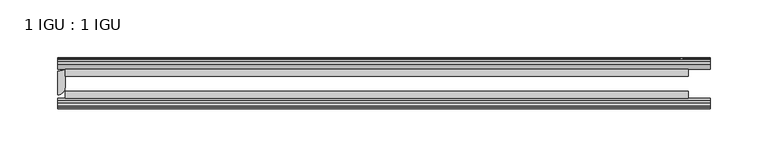
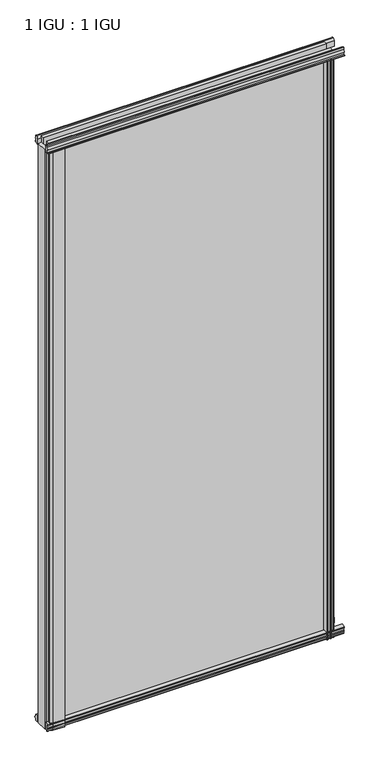
"""IFC4 building model written with IfcOpenShell, lengths in millimetres: plate geometry, 1 IGU : 1 IGU."""

from ifc_helpers import new_model, si_unit, point, frame, frame_2d, origin, place, context, project, spatial, polyline, circle_curve, trimmed, segment, composite_curve, outline, extrude, source, transform, mapped, element, save


def plate_1_igu_1_igu_c8708dcd(model_context):
    return source(origin(), model_context, "Body", "SweptSolid", [
        extrude(outline(composite_curve([segment(polyline([(-48.2151697, 1167.5411625), (-46.2339867, 1167.5411625), (-46.2339867, 1152.9057064), (-54.465925, 1154.0393419)]), True, "CONTINUOUS"), segment(trimmed(circle_curve(frame_2d((-54.3619697, 1154.7942176)), 0.762), [point((-54.465925, 1154.0393419))], [point((-55.1239697, 1154.7942176))], False, "CARTESIAN"), True, "CONTINUOUS"), segment(polyline([(-55.1239697, 1154.7942176), (-55.1239697, 1155.6539625), (-52.5839697, 1155.6539625), (-52.5839697, 1160.6069625), (-53.9897781, 1160.9836477), (-52.5839697, 1166.2301961), (-52.5839697, 1169.8779625), (-50.5519697, 1169.8779625)]), True, "CONTINUOUS"), segment(trimmed(circle_curve(frame_2d((-48.2151697, 1169.8779625)), 2.3368), [point((-50.5519697, 1169.8779625))], [point((-48.2151697, 1167.5411625))], True, "CARTESIAN"), True, "CONTINUOUS")], self_intersect=False)), frame((-282.5754022, 0.0, 0.0), z_axis=(1.0, 0.0, 0.0), x_axis=(0.0, 1.0, 0.0)), (0.0, 0.0, 1.0), 565.1508044),
        extrude(outline(composite_curve([segment(polyline([(-20.8339867, 1163.6867737), (-16.6539631, 1167.8667973)]), True, "CONTINUOUS"), segment(trimmed(circle_curve(frame_2d((-15.7559375, 1166.9687717)), 1.27), [point((-16.6539631, 1167.8667973))], [point((-14.4859375, 1166.9687717))], False, "CARTESIAN"), True, "CONTINUOUS"), segment(polyline([(-14.4859375, 1166.9687717), (-14.4859375, 1163.7937717), (-13.0066415, 1161.2098114), (-14.4859375, 1160.9489717), (-14.4859375, 1155.5387717), (-13.1830575, 1155.7226181)]), True, "CONTINUOUS"), segment(trimmed(circle_curve(frame_2d((-13.9271036, 1155.0307717)), 1.016), [point((-13.1830575, 1155.7226181))], [point((-13.7521472, 1154.0299489))], False, "CARTESIAN"), True, "CONTINUOUS"), segment(polyline([(-13.7521472, 1154.0299489), (-20.8339867, 1152.6630095), (-20.8339867, 1163.6867737)]), True, "CONTINUOUS")], self_intersect=False)), frame((-282.5754022, 0.0, 0.0), z_axis=(1.0, 0.0, 0.0), x_axis=(0.0, 1.0, 0.0)), (0.0, 0.0, 1.0), 565.1508044),
        extrude(outline(polyline([(-20.8359545, 1.2049602), (-14.4859375, -0.5127625), (-14.4859375, -5.7197625), (-12.1057405, -6.1007625), (-12.5656738, -4.6852334), (-11.7644596, -4.6852334), (-11.0569375, -6.8627625), (-11.7644596, -9.0402916), (-12.5656738, -9.0402916), (-12.1057405, -7.6247625), (-14.4859375, -8.0057625), (-14.4859375, -12.4507625), (-17.4323375, -12.4507625), (-20.8359545, -9.6164062), (-20.8359545, 1.2049602)])), frame((-282.5754022, 0.0, 0.0), z_axis=(1.0, 0.0, 0.0), x_axis=(0.0, 1.0, 0.0)), (0.0, 0.0, 1.0), 565.1508044),
        extrude(outline(composite_curve([segment(polyline([(-53.3197108, 1.6405709), (-46.2359545, 3.0078803), (-46.2359545, -8.014337), (-50.4178949, -12.1962775)]), True, "CONTINUOUS"), segment(trimmed(circle_curve(frame_2d((-51.3159205, -11.2982519)), 1.27), [point((-50.4178949, -12.1962775))], [point((-52.5859205, -11.2982519))], False, "CARTESIAN"), True, "CONTINUOUS"), segment(polyline([(-52.5859205, -11.2982519), (-52.5859205, -8.1232519), (-54.0652165, -5.5392917), (-52.5859205, -5.2784519), (-52.5859205, 0.1317481), (-53.8888005, -0.0520983)]), True, "CONTINUOUS"), segment(trimmed(circle_curve(frame_2d((-53.1447545, 0.6397481)), 1.016), [point((-53.8888005, -0.0520983))], [point((-53.3197108, 1.6405709))], False, "CARTESIAN"), True, "CONTINUOUS")], self_intersect=False)), frame((-282.5754022, 0.0, 0.0), z_axis=(1.0, 0.0, 0.0), x_axis=(0.0, 1.0, 0.0)), (0.0, 0.0, 1.0), 565.1508044),
        extrude(outline(composite_curve([segment(trimmed(circle_curve(frame_2d((-282.5754022, -10.4903061)), 12.1389698), [point((-282.5754022, -22.629276))], [point((-276.2254022, -20.8359375))], True, "CARTESIAN"), True, "CONTINUOUS"), segment(polyline([(-276.2254022, -20.8359375), (-276.2254022, -36.7109375)]), True, "CONTINUOUS"), segment(trimmed(circle_curve(frame_2d((-282.5754022, -36.7109375)), 6.35), [point((-276.2254022, -36.7109375))], [point((-282.5754022, -43.0609375))], False, "CARTESIAN"), True, "CONTINUOUS"), segment(polyline([(-282.5754022, -43.0609375), (-282.5754022, -22.629276)]), True, "CONTINUOUS")], self_intersect=False)), frame((0.0, 0.0, -12.7), z_axis=(0.0, 0.0, 1.0), x_axis=(1.0, 0.0, 0.0)), (0.0, 0.0, 1.0), 1168.3746),
        extrude(outline(composite_curve([segment(polyline([(-273.4648163, -46.2359375), (-247.0208609, -46.2359375)]), True, "CONTINUOUS"), segment(trimmed(circle_curve(frame_2d((-235.8824314, -56.4589223)), 15.118665), [point((-247.0208609, -46.2359375))], [point((-250.8254022, -54.1607375))], True, "CARTESIAN"), True, "CONTINUOUS"), segment(polyline([(-250.8254022, -54.1607375), (-272.7114351, -52.904699), (-277.9672135, -50.6809375), (-277.9672135, -48.1409375), (-273.4648163, -46.2359375)]), True, "CONTINUOUS")], self_intersect=False)), frame((0.0, 0.0, -12.7), z_axis=(0.0, 0.0, 1.0), x_axis=(1.0, 0.0, 0.0)), (0.0, 0.0, 1.0), 1168.3746),
        extrude(outline(composite_curve([segment(polyline([(249.2095491, -53.3197108), (247.8422364, -46.2359375), (258.86444, -46.2359375), (263.0463975, -50.4178949)]), True, "CONTINUOUS"), segment(trimmed(circle_curve(frame_2d((262.1483719, -51.3159205)), 1.27), [point((263.0463975, -50.4178949))], [point((262.1483719, -52.5859205))], False, "CARTESIAN"), True, "CONTINUOUS"), segment(polyline([(262.1483719, -52.5859205), (258.9733719, -52.5859205), (256.3894117, -54.0652165), (256.1285719, -52.5859205), (250.7183719, -52.5859205), (250.9413353, -53.8504091)]), True, "CONTINUOUS"), segment(trimmed(circle_curve(frame_2d((250.2103719, -53.1447545)), 1.016), [point((250.9413353, -53.8504091))], [point((249.2095491, -53.3197108))], False, "CARTESIAN"), True, "CONTINUOUS")], self_intersect=False)), frame((0.0, 0.0, -12.6752823), z_axis=(0.0, 0.0, 1.0), x_axis=(1.0, 0.0, 0.0)), (0.0, 0.0, 1.0), 1168.3498823),
        extrude(outline(polyline([(255.5353534, -11.7644596), (257.7128825, -11.0569375), (259.8904115, -11.7644596), (259.8904115, -12.5656738), (258.4748825, -12.1057405), (258.8558825, -14.4859375), (263.3008825, -14.4859375), (263.3008825, -17.4323375), (260.4665403, -20.8359375), (249.6451644, -20.8359375), (251.3628825, -14.4859375), (256.5698825, -14.4859375), (256.9508825, -12.1057405), (255.5353534, -12.5656738), (255.5353534, -11.7644596)])), frame((0.0, 0.0, -12.6752823), z_axis=(0.0, 0.0, 1.0), x_axis=(1.0, 0.0, 0.0)), (0.0, 0.0, 1.0), 1168.3498823),
        extrude(outline(polyline([(263.5254022, -20.8359375), (263.5254022, -27.1859375), (-276.2254022, -27.1859375), (-276.2254022, -20.8359375), (263.5254022, -20.8359375)])), frame((0.0, 0.0, -12.6752823), z_axis=(0.0, 0.0, 1.0), x_axis=(1.0, 0.0, 0.0)), (0.0, 0.0, 1.0), 1181.0251645),
        extrude(outline(polyline([(-276.2254022, -46.2359375), (-276.2254022, -39.8859375), (263.5254022, -39.8859375), (263.5254022, -46.2359375), (-276.2254022, -46.2359375)])), frame((0.0, 0.0, -12.6752823), z_axis=(0.0, 0.0, 1.0), x_axis=(1.0, 0.0, 0.0)), (0.0, 0.0, 1.0), 1181.0251645),
    ])


if __name__ == "__main__":
    model = new_model("IFC4")
    model_context = context("Model", 3, world=origin())
    ifc_project = project(units=[si_unit("LENGTHUNIT", "METRE", prefix="MILLI")], contexts=[model_context])
    site = spatial("IfcSite", under=ifc_project)
    building = spatial("IfcBuilding", under=site)
    placement = place(None, origin())
    plate_1_igu_1_igu_shape = plate_1_igu_1_igu_c8708dcd(model_context)
    element("IfcPlate", 1, ObjectType="1 IGU : 1 IGU", at=placement, inside=building, context=model_context, shape_type="MappedRepresentation", body=[
        mapped(plate_1_igu_1_igu_shape, transform((0.0, 0.0, 0.0), x_axis=(1.0, 0.0, 0.0), y_axis=(0.0, 1.0, 0.0), z_axis=(0.0, 0.0, 1.0))),
    ])
    save(model, "model.ifc")
